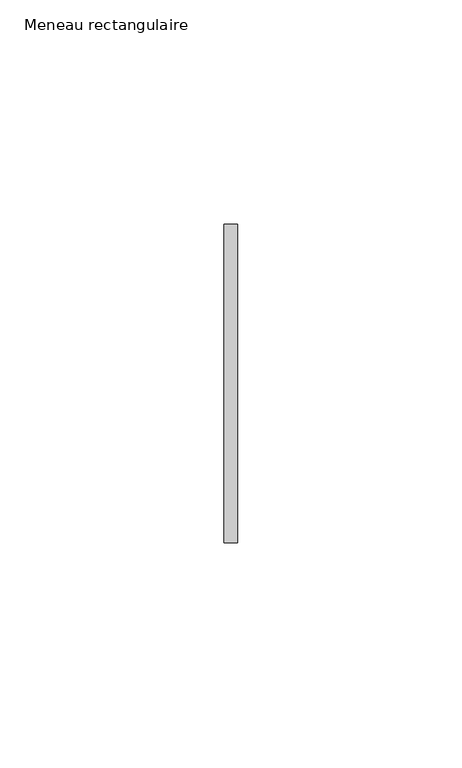
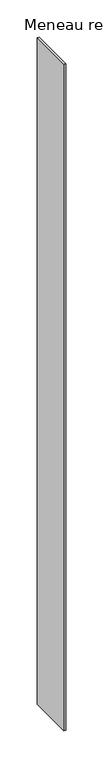
"""IFC4 building model written with IfcOpenShell, lengths in millimetres: member geometry, Meneau rectangulaire."""

from ifc_helpers import new_model, si_unit, frame, origin, place, context, project, spatial, polyline, outline, extrude, source, transform, mapped, element, save


def meneau_rectangulaire_368e12f4(model_context):
    return source(origin(), model_context, "Body", "SweptSolid", [
        extrude(outline(polyline([(-1.5, 35.5), (1.5, 35.5), (1.5, -35.5), (-1.5, -35.5), (-1.5, 35.5)])), frame((0.0, 0.0, -1092.7499998), z_axis=(0.0, 0.0, 1.0), x_axis=(1.0, 0.0, 0.0)), (0.0, 0.0, 1.0), 1092.7499998),
    ])


if __name__ == "__main__":
    model = new_model("IFC4")
    model_context = context("Model", 3, world=origin())
    ifc_project = project(units=[si_unit("LENGTHUNIT", "METRE", prefix="MILLI")], contexts=[model_context])
    site = spatial("IfcSite", under=ifc_project)
    building = spatial("IfcBuilding", under=site)
    placement = place(None, origin())
    meneau_rectangulaire_shape = meneau_rectangulaire_368e12f4(model_context)
    element("IfcMember", 1, ObjectType="Meneau rectangulaire", at=placement, inside=building, context=model_context, shape_type="MappedRepresentation", body=[
        mapped(meneau_rectangulaire_shape, transform((0.0, 0.0, 0.0), x_axis=(1.0, 0.0, 0.0), y_axis=(0.0, 1.0, 0.0), z_axis=(0.0, 0.0, 1.0))),
    ])
    save(model, "model.ifc")
